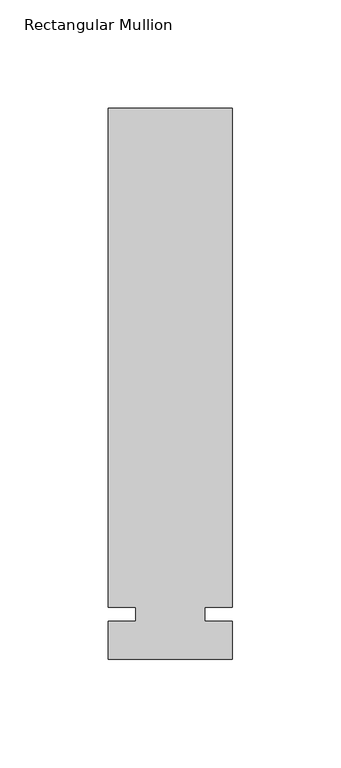
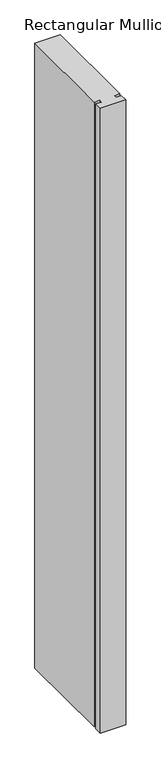
"""IFC4 building model written with IfcOpenShell, lengths in millimetres: member geometry, Rectangular Mullion."""

from ifc_helpers import new_model, si_unit, frame, origin, place, context, project, spatial, polyline, outline, extrude, source, transform, mapped, element, save


def rectangular_mullion_1154584a(model_context):
    return source(origin(), model_context, "Body", "SweptSolid", [
        extrude(outline(polyline([(32.9094027, 233.3625), (32.9094027, 3.175), (20.2076322, 3.175), (20.2076322, -3.175), (32.9094027, -3.175), (32.9094027, -20.6375), (-24.2405973, -20.6375), (-24.2405973, -3.175), (-11.5405973, -3.175), (-11.5405973, 3.175), (-24.2405973, 3.175), (-24.2405973, 233.3625), (32.9094027, 233.3625)])), frame((0.0, 0.0, -1478.28), z_axis=(0.0, 0.0, 1.0), x_axis=(1.0, 0.0, 0.0)), (0.0, 0.0, 1.0), 1478.28),
    ])


if __name__ == "__main__":
    model = new_model("IFC4")
    model_context = context("Model", 3, world=origin())
    ifc_project = project(units=[si_unit("LENGTHUNIT", "METRE", prefix="MILLI")], contexts=[model_context])
    site = spatial("IfcSite", under=ifc_project)
    building = spatial("IfcBuilding", under=site)
    placement = place(None, origin())
    rectangular_mullion_shape = rectangular_mullion_1154584a(model_context)
    element("IfcMember", 1, ObjectType="Rectangular Mullion", at=placement, inside=building, context=model_context, shape_type="MappedRepresentation", body=[
        mapped(rectangular_mullion_shape, transform((0.0, 0.0, 0.0), x_axis=(1.0, 0.0, 0.0), y_axis=(0.0, 1.0, 0.0), z_axis=(0.0, 0.0, 1.0))),
    ])
    save(model, "model.ifc")
